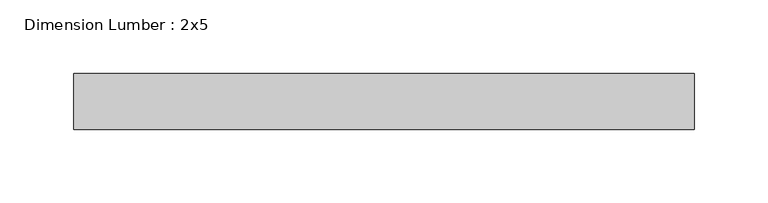
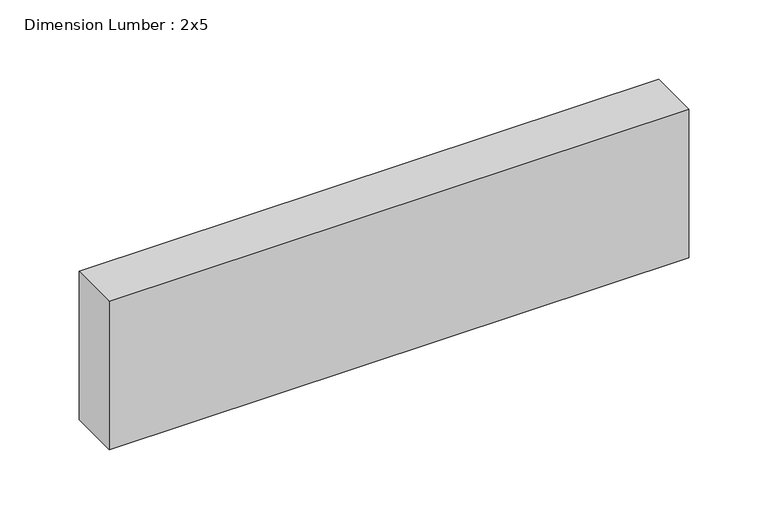
"""IFC4 building model written with IfcOpenShell, lengths in millimetres: beam geometry, Dimension Lumber : 2x5."""

import ifcopenshell
import ifcopenshell.guid

model = None  # the IFC model being written
_history = None  # IfcOwnerHistory: only IFC2X3 demands one
_inside = {}  # id of a spatial element -> (the spatial element, [elements in it])
_under = {}  # id of a project, library or spatial element -> (it, [spatial elements below it])
_declared = {}  # id of a project -> (the project, [libraries it declares])
_typed = {}  # id of a type object -> (the type object, [elements of that type])
_made_of = {}  # id of a material, layer set ... -> (it, [elements and type objects made of it])


def new_model(schema):
    """Start an empty IFC model of exactly this schema.

    Asked for "IFC4X3", IfcOpenShell would pick the latest addendum, in which some entities
    have other attributes; the version numbers below select the first issue.
    IFC2X3 requires an IfcOwnerHistory on every rooted entity: one is made here for all.
    """
    global model, _history
    if schema == "IFC4X3":
        model = ifcopenshell.file(schema_version=(4, 3, 0, 0))
    else:
        model = ifcopenshell.file(schema=schema)
    _inside.clear()
    _under.clear()
    _declared.clear()
    _typed.clear()
    _made_of.clear()
    _history = None
    if model.schema == "IFC2X3":
        org = make("IfcOrganization", Name="unknown")
        user = make(
            "IfcPersonAndOrganization",
            ThePerson=make("IfcPerson", FamilyName="unknown"),
            TheOrganization=org,
        )
        app = make(
            "IfcApplication",
            ApplicationDeveloper=org,
            Version="unknown",
            ApplicationFullName="unknown",
            ApplicationIdentifier="unknown",
        )
        _history = make(
            "IfcOwnerHistory",
            OwningUser=user,
            OwningApplication=app,
            ChangeAction="ADDED",
            CreationDate=0,
        )
    return model


def make(cls, **values):
    """One entity of the class cls with the attributes given. An attribute that is None is left unset."""
    return model.create_entity(
        cls, **{name: value for name, value in values.items() if value is not None}
    )


def rooted(cls, **values):
    """An entity with a GlobalId (a new one), such as an element, a storey or a relation."""
    return make(cls, GlobalId=ifcopenshell.guid.new(), OwnerHistory=_history, **values)


def si_unit(unit_type, name, prefix=None):
    """IfcSIUnit, for example si_unit("LENGTHUNIT", "METRE", prefix="MILLI")."""
    return make("IfcSIUnit", UnitType=unit_type, Prefix=prefix, Name=name)


def assignment(units):
    """IfcUnitAssignment: the units of a project."""
    return None if units is None else make("IfcUnitAssignment", Units=units)


def point(xyz):
    """IfcCartesianPoint."""
    return None if xyz is None else make("IfcCartesianPoint", Coordinates=xyz)


def direction(xyz):
    """IfcDirection."""
    return None if xyz is None else make("IfcDirection", DirectionRatios=xyz)


def frame(location, z_axis=None, x_axis=None):
    """IfcAxis2Placement3D, a coordinate frame: its origin and axes. An axis left out is left unset."""
    return make(
        "IfcAxis2Placement3D",
        Location=point(location),
        Axis=direction(z_axis),
        RefDirection=direction(x_axis),
    )


def origin():
    """The frame at (0, 0, 0) with its axes left unset."""
    return frame((0.0, 0.0, 0.0))


def place(relative_to, where):
    """IfcLocalPlacement: puts the frame where relative to a parent placement (None: the world)."""
    return make(
        "IfcLocalPlacement", PlacementRelTo=relative_to, RelativePlacement=where
    )


def context(
    kind, dimensions, precision=None, world=None, true_north=None, identifier=None
):
    """IfcGeometricRepresentationContext, for example the 3D "Model" context."""
    return make(
        "IfcGeometricRepresentationContext",
        ContextIdentifier=identifier,
        ContextType=kind,
        CoordinateSpaceDimension=dimensions,
        Precision=precision,
        WorldCoordinateSystem=world,
        TrueNorth=true_north,
    )


def project(units=None, contexts=None):
    """IfcProject with its units and contexts."""
    return rooted(
        "IfcProject",
        Name="project",
        RepresentationContexts=contexts,
        UnitsInContext=assignment(units),
    )


def spatial(cls, under=None, at=None, **own):
    """A site, building, storey or space (cls), placed at a placement, below another one or the project."""
    s = rooted(cls, ObjectPlacement=at, **own)
    if under is not None:
        _under.setdefault(under.id(), (under, []))[1].append(s)
    return s


def polyline(points):
    """IfcPolyline through the points."""
    return make("IfcPolyline", Points=[point(p) for p in points])


def outline(outer, holes=None, kind="AREA"):
    """IfcArbitraryClosedProfileDef: a profile drawn as a closed curve; with holes, ...WithVoids."""
    if holes is None:
        return make("IfcArbitraryClosedProfileDef", ProfileType=kind, OuterCurve=outer)
    return make(
        "IfcArbitraryProfileDefWithVoids",
        ProfileType=kind,
        OuterCurve=outer,
        InnerCurves=holes,
    )


def extrude(swept, where, along, depth):
    """IfcExtrudedAreaSolid: the profile swept, set in the frame where, extruded along a direction by depth."""
    return make(
        "IfcExtrudedAreaSolid",
        SweptArea=swept,
        Position=where,
        ExtrudedDirection=direction(along),
        Depth=depth,
    )


def shape(context_of_items, identifier, shape_type, items):
    """IfcShapeRepresentation: the items that make up one representation, for example the "Body"."""
    return make(
        "IfcShapeRepresentation",
        ContextOfItems=context_of_items,
        RepresentationIdentifier=identifier,
        RepresentationType=shape_type,
        Items=items,
    )


def source(mapping_origin, context_of_items, identifier, shape_type, items):
    """IfcRepresentationMap: a shape defined once, which mapped items show again and again."""
    return make(
        "IfcRepresentationMap",
        MappingOrigin=mapping_origin,
        MappedRepresentation=shape(context_of_items, identifier, shape_type, items),
    )


def transform(
    local_origin,
    x_axis=None,
    y_axis=None,
    z_axis=None,
    scale=None,
    scale2=None,
    scale3=None,
    uniform=True,
):
    """IfcCartesianTransformationOperator3D, or its non-uniform kind. x_axis, y_axis, z_axis: its Axis1, 2, 3."""
    if uniform:
        return make(
            "IfcCartesianTransformationOperator3D",
            Axis1=direction(x_axis),
            Axis2=direction(y_axis),
            LocalOrigin=point(local_origin),
            Scale=scale,
            Axis3=direction(z_axis),
        )
    return make(
        "IfcCartesianTransformationOperator3DnonUniform",
        Axis1=direction(x_axis),
        Axis2=direction(y_axis),
        LocalOrigin=point(local_origin),
        Scale=scale,
        Axis3=direction(z_axis),
        Scale2=scale2,
        Scale3=scale3,
    )


def mapped(mapping_source, mapping_target):
    """IfcMappedItem: shows the shape of a source again, moved by a transform."""
    return make(
        "IfcMappedItem", MappingSource=mapping_source, MappingTarget=mapping_target
    )


def made_of(thing, what):
    """Note that an element or type object is made of a material, layer set ...; save() writes the relation."""
    if what is not None:
        _made_of.setdefault(what.id(), (what, []))[1].append(thing)
    return thing


def element(
    cls,
    number,
    at=None,
    inside=None,
    cuts=None,
    type_object=None,
    material=None,
    context=None,
    identifier="Body",
    shape_type=None,
    held_by="IfcProductDefinitionShape",
    body=None,
    shapes=None,
    **own,
):
    """One element of the class cls, such as IfcWall. Its Tag is "e" and its number.

    at: its placement. inside: the storey or other place that contains it. cuts: it is an
    opening in that element (IfcRelVoidsElement). A single representation is given by context,
    identifier, shape_type and body (its items); several are given by shapes. held_by: the class
    of the entity that holds the representations. save() writes the other relations.
    """
    e = rooted(cls, Tag="e%d" % number, ObjectPlacement=at, **own)
    if body is not None:
        shapes = [shape(context, identifier, shape_type, body)]
    if shapes is not None:
        e.Representation = make(held_by, Representations=shapes)
    if inside is not None:
        _inside.setdefault(inside.id(), (inside, []))[1].append(e)
    if cuts is not None:
        rooted(
            "IfcRelVoidsElement", RelatingBuildingElement=cuts, RelatedOpeningElement=e
        )
    if type_object is not None:
        _typed.setdefault(type_object.id(), (type_object, []))[1].append(e)
    return made_of(e, material)


def aggregate(whole, parts):
    """IfcRelAggregates: a whole, such as a stair, and the parts it consists of."""
    return rooted("IfcRelAggregates", RelatingObject=whole, RelatedObjects=parts)


def save(model, path):
    """Write the relations noted so far, then the file.

    IfcRelAggregates (storeys below a building ...), IfcRelContainedInSpatialStructure (elements
    in a storey), IfcRelDefinesByType, IfcRelAssociatesMaterial and IfcRelDeclares: one each for
    every whole, place, type object, material and project.
    """
    for whole, parts in _under.values():
        aggregate(whole, parts)
    for where, things in _inside.values():
        rooted(
            "IfcRelContainedInSpatialStructure",
            RelatedElements=things,
            RelatingStructure=where,
        )
    for kind, things in _typed.values():
        rooted("IfcRelDefinesByType", RelatedObjects=things, RelatingType=kind)
    for what, things in _made_of.values():
        rooted("IfcRelAssociatesMaterial", RelatedObjects=things, RelatingMaterial=what)
    for by, libraries in _declared.values():
        rooted("IfcRelDeclares", RelatingContext=by, RelatedDefinitions=libraries)
    model.write(path)


def dimension_lumber_2x5_167267e8(model_context):
    return source(origin(), model_context, "Body", "SweptSolid", [
        extrude(outline(polyline([(208.9233899, 19.05), (208.9233899, -19.05), (-212.9088901, -19.05), (-212.9088901, 19.05), (208.9233899, 19.05)])), frame((0.0, 0.0, -57.15), z_axis=(0.0, 0.0, 1.0), x_axis=(1.0, 0.0, 0.0)), (0.0, 0.0, 1.0), 114.3),
    ])


if __name__ == "__main__":
    model = new_model("IFC4")
    model_context = context("Model", 3, world=origin())
    ifc_project = project(units=[si_unit("LENGTHUNIT", "METRE", prefix="MILLI")], contexts=[model_context])
    site = spatial("IfcSite", under=ifc_project)
    building = spatial("IfcBuilding", under=site)
    placement = place(None, origin())
    dimension_lumber_2x5_shape = dimension_lumber_2x5_167267e8(model_context)
    element("IfcBeam", 1, ObjectType="Dimension Lumber : 2x5", at=placement, inside=building, context=model_context, shape_type="MappedRepresentation", body=[
        mapped(dimension_lumber_2x5_shape, transform((0.0, 0.0, 0.0), x_axis=(1.0, 0.0, 0.0), y_axis=(0.0, 1.0, 0.0), z_axis=(0.0, 0.0, 1.0))),
    ])
    save(model, "model.ifc")
